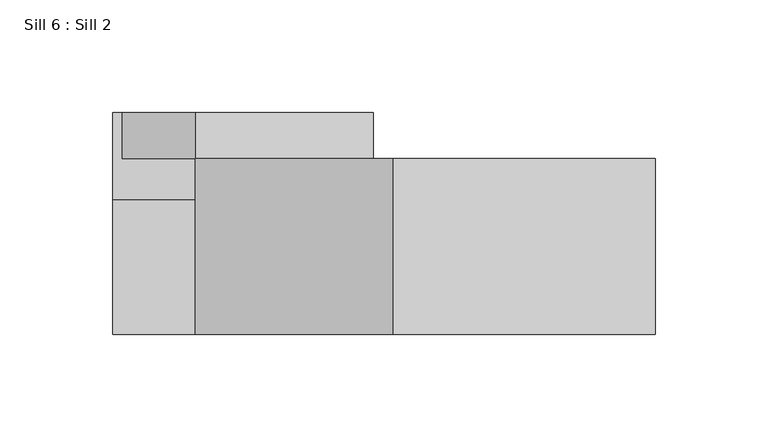
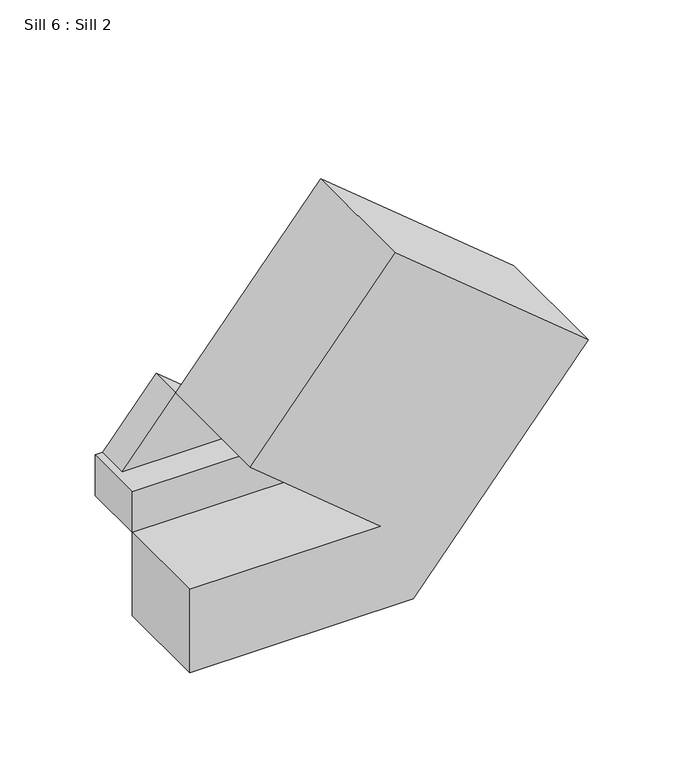
"""IFC4 building model written with IfcOpenShell, lengths in millimetres: proxy geometry, Sill 6 : Sill 2."""

from ifc_helpers import new_model, si_unit, origin, place, context, project, spatial, faceted_brep, source, transform, mapped, element, save


def sill_6_sill_2_c6d8f0f7(model_context):
    return source(origin(), model_context, "Body", "Brep", [
        faceted_brep([(-18243.2232142, 12835.4993892, -398.883109), (-18210.8301579, 12835.4993892, -359.7110562), (-18131.7927273, 12835.4993892, -425.070509), (-18247.4988713, 12835.4993892, -425.070509), (-18247.4988713, 12835.4993892, -398.883109), (-18210.8301579, 12815.002383, -359.7110562), (-18243.2232142, 12815.002383, -398.883109), (-18163.4604466, 12815.002383, -398.883109), (-18163.4604466, 12815.002383, -398.883109), (-18131.7927273, 12815.002383, -425.070509), (-18163.4604466, 12796.812808, -398.883109), (-18247.4988713, 12796.812808, -398.883109), (-18247.4988713, 12796.812808, -425.070509), (-18131.7927273, 12796.812808, -425.070509), (-18131.7927273, 12796.812808, -425.070509), (-18247.4988713, 12796.812808, -478.258109), (-18094.1573439, 12796.812808, -456.1928272), (-18112.3739095, 12796.812808, -478.258109), (-18247.4988713, 12736.7971992, -478.258109), (-18112.3739095, 12736.7971992, -478.258109), (-18006.331432, 12736.7971992, -349.9873112), (-18123.004246, 12736.7971992, -253.5055401), (-18210.8301579, 12736.7971992, -359.7110562), (-18131.7927273, 12736.7971992, -425.070509), (-18247.4988713, 12736.7971992, -425.070509), (-18094.1394291, 12815.002383, -456.2076417), (-18006.3135173, 12815.002383, -350.0021256), (-18123.004246, 12815.002383, -253.5055401)], [[[0, 1, 2, 3, 4]], [[5, 6, 7]], [[1, 0, 6, 5]], [[1, 5, 8, 9, 2]], [[10, 11, 12, 13]], [[4, 3, 12, 11]], [[11, 10, 7, 6, 0, 4]], [[3, 2, 9, 14, 12]], [[15, 12, 14, 16, 17]], [[18, 19, 20, 21, 22, 23, 24]], [[12, 15, 18, 24]], [[24, 23, 13, 12]], [[15, 17, 19, 18]], [[17, 16, 25, 26, 20, 19]], [[26, 25, 9, 8, 5, 27]], [[9, 25, 16, 14]], [[22, 5, 7, 10, 13, 23]], [[27, 5, 22, 21]], [[26, 27, 21, 20]]]),
    ])


if __name__ == "__main__":
    model = new_model("IFC4")
    model_context = context("Model", 3, world=origin())
    ifc_project = project(units=[si_unit("LENGTHUNIT", "METRE", prefix="MILLI")], contexts=[model_context])
    site = spatial("IfcSite", under=ifc_project)
    building = spatial("IfcBuilding", under=site)
    placement = place(None, origin())
    sill_6_sill_2_shape = sill_6_sill_2_c6d8f0f7(model_context)
    element("IfcBuildingElementProxy", 1, Name="Sill 6 : Sill 2", ObjectType="Sill 6 : Sill 2", at=placement, inside=building, context=model_context, shape_type="MappedRepresentation", body=[
        mapped(sill_6_sill_2_shape, transform((0.0, 0.0, 0.0), x_axis=(1.0, 0.0, 0.0), y_axis=(0.0, 1.0, 0.0), z_axis=(0.0, 0.0, 1.0))),
    ])
    save(model, "model.ifc")
